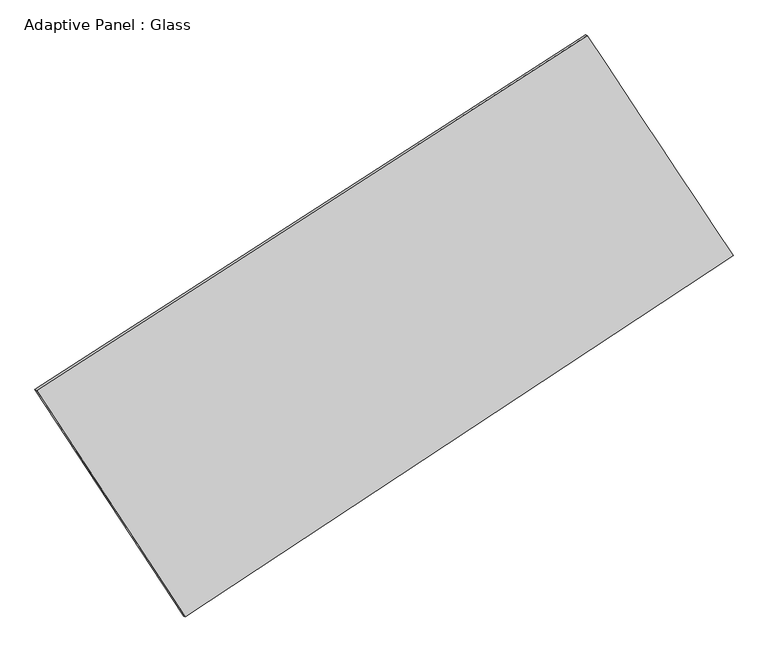
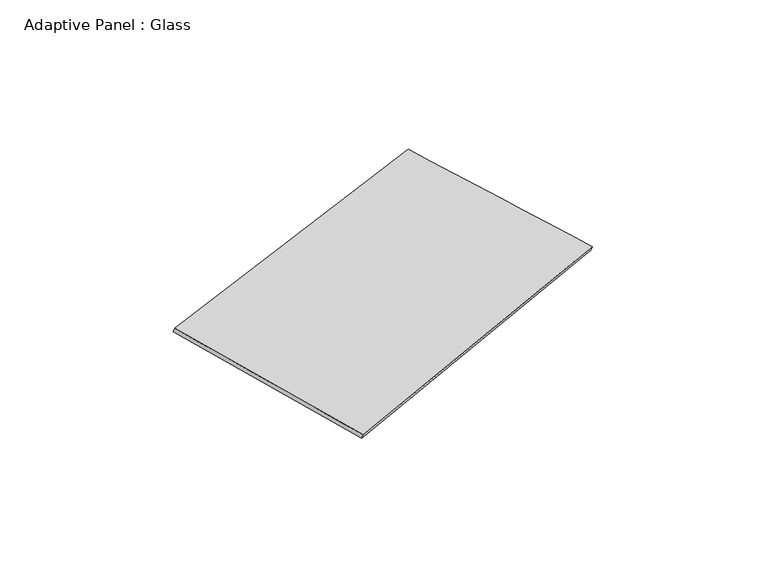
"""IFC4 building model written with IfcOpenShell, lengths in millimetres: plate geometry, Adaptive Panel : Glass."""

from ifc_helpers import new_model, si_unit, frame, origin, place, context, project, spatial, source, transform, mapped, element, save
from ifc_brep_helpers import plane_surface, spline_surface, advanced_brep


def adaptive_panel_glass_4d317de2(model_context):
    return source(origin(), model_context, "Body", "AdvancedBrep", [
        advanced_brep(
        [(1135.168282, 2460.774341, 640.1493117), (-3741.0748812, -682.3249483, 1771.864237), (-3726.4085254, -688.7050418, 1819.237145), (1149.8346379, 2454.3942475, 687.5222197), (-2423.6047806, -2689.0143309, 1049.1448112), (-2408.9384247, -2695.3944244, 1096.5177193), (2426.2208016, 510.3163654, 23.9641603), (2440.8871574, 503.9362719, 71.3370683)],
        [
            (0, 1),
            (1, 2),
            (2, 3),
            (3, 0),
            (1, 4),
            (4, 5),
            (5, 2),
            (4, 6),
            (6, 7),
            (7, 5),
            (6, 0),
            (3, 7),
        ],
        [
            plane_surface(frame((-1302.9532996, 889.2246963, 1206.0067743), z_axis=(-0.479396922550407, 0.8378099374687131, 0.26125294128080223), x_axis=(-0.8249712717540031, -0.5317549865982377, 0.19146549299675603))),
            plane_surface(frame((-3082.3398309, -1685.6696396, 1410.5045241), z_axis=(-0.7952886592573639, -0.5825572700741619, 0.16775868245895603), x_axis=(0.5255247834263473, -0.8004470102744978, -0.2882850772192499))),
            plane_surface(frame((1.3080105, -1089.3489828, 536.5544858), z_axis=(0.491626688073314, -0.8298346946878545, -0.2639651095625706), x_axis=(0.8220336136252884, 0.5422787539197128, -0.17376562121845007))),
            plane_surface(frame((1780.6945418, 1485.5453532, 332.056736), z_axis=(0.7966294730795779, 0.5805228930530747, -0.16844777606796305), x_axis=(-0.533748617749052, 0.8063608820476202, 0.25474406951754613))),
            spline_surface(1, 1, [[(-3726.4085254, -688.7050418, 1819.237145), (1149.8346379, 2454.3942475, 687.5222197)], [(-2408.9384247, -2695.3944244, 1096.5177193), (2440.8871574, 503.9362719, 71.3370683)]], [2, 2], [2, 2], [0.0, 1.0], [0.0, 1.0]),
            spline_surface(1, 1, [[(2426.2208016, 510.3163654, 23.9641603), (1135.168282, 2460.774341, 640.1493117)], [(-2423.6047806, -2689.0143309, 1049.1448112), (-3741.0748812, -682.3249483, 1771.864237)]], [2, 2], [2, 2], [0.0, 1.0], [0.0, 1.0]),
        ],
        [
            (0, [[1, 2, 3, 4]]),
            (1, [[5, 6, 7, -2]]),
            (2, [[8, 9, 10, -6]]),
            (3, [[11, -4, 12, -9]]),
            (4, [[-3, -7, -10, -12]]),
            (5, [[-11, -8, -5, -1]]),
        ],
    ),
    ])


if __name__ == "__main__":
    model = new_model("IFC4")
    model_context = context("Model", 3, world=origin())
    ifc_project = project(units=[si_unit("LENGTHUNIT", "METRE", prefix="MILLI")], contexts=[model_context])
    site = spatial("IfcSite", under=ifc_project)
    building = spatial("IfcBuilding", under=site)
    placement = place(None, origin())
    adaptive_panel_glass_shape = adaptive_panel_glass_4d317de2(model_context)
    element("IfcPlate", 1, ObjectType="Adaptive Panel : Glass", at=placement, inside=building, context=model_context, shape_type="MappedRepresentation", body=[
        mapped(adaptive_panel_glass_shape, transform((0.0, 0.0, 0.0), x_axis=(1.0, 0.0, 0.0), y_axis=(0.0, 1.0, 0.0), z_axis=(0.0, 0.0, 1.0))),
    ])
    save(model, "model.ifc")
